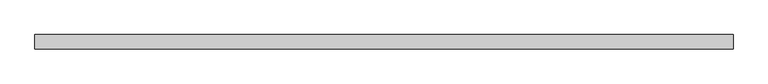
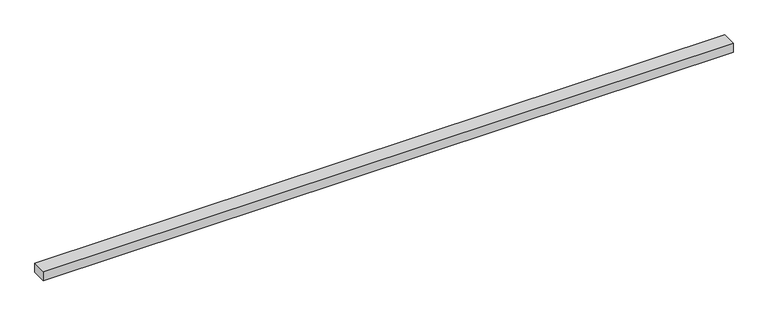
"""IFC4 building model written with IfcOpenShell, lengths in millimetres: proxy geometry."""

from ifc_helpers import new_model, si_unit, frame, origin, origin_with_axes, place, context, project, spatial, polyline, outline, extrude, source, transform, mapped, element, save


def specialty_equipment_1c1ab3e0(model_context):
    return source(origin(), model_context, "Body", "SweptSolid", [
        extrude(outline(polyline([(1828.8, -38.1), (-1828.8, -38.1), (-1828.8, 38.1), (1828.8, 38.1), (1828.8, -38.1)])), origin_with_axes(), (0.0, 0.0, 1.0), 50.8),
        extrude(outline(polyline([(-17.4625, 3.175), (-17.4625, 19.05), (-26.9875, 19.05), (-26.9875, 28.575), (26.9875, 28.575), (26.9875, 19.05), (7.7390625, 19.05), (20.6375, 3.175), (30.1625, 3.175), (30.1625, 0.0), (-30.1625, 0.0), (-30.1625, 3.175), (-17.4625, 3.175)])), frame((-625.4279426, 0.0, 0.0), z_axis=(1.0, 0.0, 0.0), x_axis=(0.0, 1.0, 0.0)), (0.0, 0.0, 1.0), 1250.8558853),
    ])


if __name__ == "__main__":
    model = new_model("IFC4")
    model_context = context("Model", 3, world=origin())
    ifc_project = project(units=[si_unit("LENGTHUNIT", "METRE", prefix="MILLI")], contexts=[model_context])
    site = spatial("IfcSite", under=ifc_project)
    building = spatial("IfcBuilding", under=site)
    placement = place(None, origin())
    specialty_equipment_shape = specialty_equipment_1c1ab3e0(model_context)
    element("IfcBuildingElementProxy", 1, Name="Specialty Equipment", at=placement, inside=building, context=model_context, shape_type="MappedRepresentation", body=[
        mapped(specialty_equipment_shape, transform((0.0, 0.0, 0.0), x_axis=(1.0, 0.0, 0.0), y_axis=(0.0, 1.0, 0.0), z_axis=(0.0, 0.0, 1.0))),
    ])
    save(model, "model.ifc")
